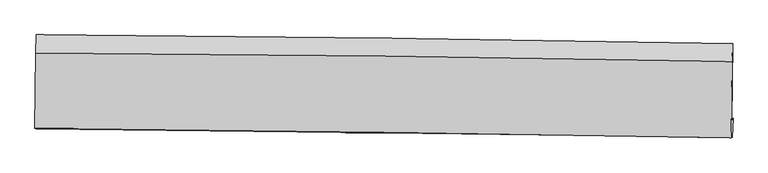
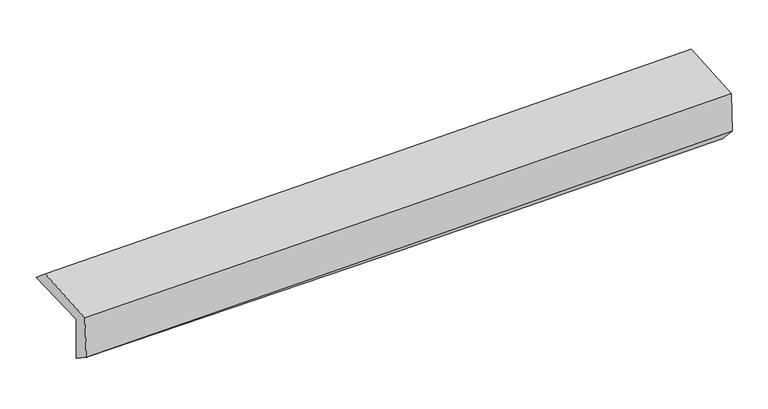
"""IFC4 building model written with IfcOpenShell, lengths in millimetres: proxy geometry."""

from ifc_helpers import new_model, si_unit, frame, origin, place, context, project, spatial, source, transform, mapped, element, save
from ifc_brep_helpers import plane_surface, spline_curve, spline_surface, advanced_brep


def generic_models_21b1a87a(model_context):
    return source(origin(), model_context, "Body", "AdvancedBrep", [
        advanced_brep(
        [(-3026.9989715, -1762.2248106, 1965.7666677), (-3020.8994105, -1097.4297323, 1979.4995738), (3013.3469707, -1174.4534869, 2110.940988), (3005.0823679, -1840.1388194, 2104.8332534), (-3016.4199858, -1746.6816067, 1566.6039674), (3016.1285321, -1823.9092121, 1688.0431299), (-3021.0298107, -1916.0475702, 1680.0781726), (3009.5315609, -1987.162764, 1862.2512422), (-3031.265267, -1910.979197, 2073.755911), (2999.6411457, -1991.3248051, 2240.4777322), (-3025.9024058, -1254.2252632, 2112.6980271), (3006.9955053, -1329.3369519, 2279.7822795)],
        [
            (0, 1),
            (1, 2, spline_curve(3, [(-3020.8994105, -1097.4297323, 1979.4995738), (-2014.5471453, -1104.989702563, 1982.777820388), (-1008.459372339, -1115.189375264, 1995.372724587), (1002.955966561, -1140.865173557, 2039.190812476), (2008.283653956, -1156.340085926, 2070.409712596), (3013.3469707, -1174.4534869, 2110.940988)], [4, 2, 4], [0.0, 9.902203475354849, 19.802130583717734])),
            (2, 3),
            (3, 0, spline_curve(3, [(3005.0823679, -1840.1388194, 2104.8332534), (2000.610820619, -1824.582224751, 2052.150216107), (995.759431177, -1810.311692057, 2014.2194517), (-1014.934174188, -1784.339764123, 1967.857137889), (-2020.776564126, -1772.638960966, 1959.432374029), (-3026.9989715, -1762.2248106, 1965.7666677)], [4, 2, 4], [0.0, 9.899927108362885, 19.802130583717734])),
            (4, 0),
            (3, 5),
            (5, 4, spline_curve(3, [(3016.1285321, -1823.9092121, 1688.0431299), (2011.292008435, -1808.888860171, 1649.131260687), (1006.219187069, -1794.943666713, 1619.55548602), (-1004.630210388, -1769.20063698, 1579.071471314), (-2010.406894763, -1757.403295364, 1568.167525222), (-3016.4199858, -1746.6816067, 1566.6039674)], [4, 2, 4], [0.0, 9.898344622268251, 19.79896524765517])),
            (6, 4),
            (5, 7),
            (7, 6, spline_curve(3, [(3009.5315609, -1987.162764, 1862.2512422), (2004.650927332, -1974.93925727, 1826.480554139), (999.721605532, -1962.901897367, 1793.415555461), (-1010.465495917, -1939.196747392, 1732.689954188), (-2015.723297991, -1927.529042376, 1705.030596838), (-3021.0298107, -1916.0475702, 1680.0781726)], [4, 2, 4], [0.0, 9.89720525418332, 19.79668624950157])),
            (8, 6),
            (7, 9),
            (9, 8, spline_curve(3, [(2999.6411457, -1991.3248051, 2240.4777322), (1994.782613839, -1974.572880474, 2205.72178668), (989.835597837, -1959.502027369, 2174.451525217), (-1020.466499242, -1932.719384815, 2118.87598166), (-2025.821620504, -1921.008368728, 2094.57230274), (-3031.265267, -1910.979197, 2073.755911)], [4, 2, 4], [0.0, 9.896776347075276, 19.795828336663543])),
            (10, 8),
            (9, 11),
            (11, 10, spline_curve(3, [(3006.9955053, -1329.3369519, 2279.7822795), (2001.841035256, -1311.791531442, 2245.065291584), (996.580112976, -1296.759944686, 2213.78431549), (-1014.385808491, -1271.72155861, 2158.087984102), (-2020.090856579, -1261.715916366, 2133.674209624), (-3025.9024058, -1254.2252632, 2112.6980271)], [4, 2, 4], [0.0, 9.89841749173321, 19.799111003340528])),
            (1, 10),
            (11, 2),
        ],
        [
            spline_surface(3, 3, [[(-3026.9989715, -1762.2248106, 1965.7666677), (-2020.776564173, -1772.638960805, 1959.432374028), (-1014.93417405, -1784.339764206, 1967.857138028), (995.75943104, -1810.311691974, 2014.219451562), (2000.610820736, -1824.582224829, 2052.150216171), (3005.0823679, -1840.1388194, 2104.8332534)], [(-3024.965784515, -1540.62645116, 1970.34430305), (-2018.700091256, -1550.089208067, 1967.214189423), (-1012.775906776, -1561.289634533, 1977.02900026), (998.158276222, -1587.162852509, 2022.54323854), (2003.168431765, -1601.834845166, 2058.236715045), (3007.837235499, -1618.243708563, 2106.869164949)], [(-3022.932597485, -1319.02809174, 1974.92193845), (-2016.623618292, -1327.539455349, 1974.99600487), (-1010.61763957, -1338.239504888, 1986.200862414), (1000.557121336, -1364.014013071, 2030.867025439), (2005.726042799, -1379.087465515, 2064.323213871), (3010.592103101, -1396.348597737, 2108.905076451)], [(-3020.8994105, -1097.4297323, 1979.4995738), (-2014.547145375, -1104.98970261, 1982.777820265), (-1008.459372296, -1115.189375215, 1995.372724646), (1002.955966518, -1140.865173606, 2039.190812417), (2008.283653829, -1156.340085851, 2070.409712746), (3013.3469707, -1174.4534869, 2110.940988)]], [4, 4], [4, 2, 4], [0.0, 2.197662797633588], [0.0, 9.902203475354849, 19.802130583717734]),
            spline_surface(3, 3, [[(-3016.4199858, -1746.6816067, 1566.6039674), (-2010.406894768, -1757.403295451, 1568.167525218), (-1004.630210309, -1769.200637028, 1579.071471285), (1006.219186989, -1794.943666665, 1619.555486049), (2011.292008473, -1808.888860206, 1649.131260823), (3016.1285321, -1823.9092121, 1688.0431299)], [(-3019.946314354, -1751.862674677, 1699.658200829), (-2013.863451223, -1762.481850579, 1698.589141484), (-1008.064864891, -1774.247012769, 1708.666693512), (1002.732601671, -1800.066341783, 1751.110141199), (2007.731612553, -1814.119981755, 1783.470912585), (3012.446477359, -1829.319081209, 1826.973171046)], [(-3023.472642946, -1757.043742623, 1832.712434271), (-2017.320007718, -1767.560405677, 1829.010757762), (-1011.499519468, -1779.293388464, 1838.2619158), (999.246016358, -1805.189016856, 1882.664796411), (2004.171216656, -1819.351103279, 1917.810564409), (3008.764422641, -1834.728950291, 1965.903212254)], [(-3026.9989715, -1762.2248106, 1965.7666677), (-2020.776564173, -1772.638960805, 1959.432374028), (-1014.93417405, -1784.339764206, 1967.857138028), (995.75943104, -1810.311691974, 2014.219451562), (2000.610820736, -1824.582224829, 2052.150216171), (3005.0823679, -1840.1388194, 2104.8332534)]], [4, 4], [4, 2, 4], [0.0, 1.2866091122014032], [0.0, 9.900620625386917, 19.79896524765517]),
            spline_surface(3, 3, [[(-3021.0298107, -1916.0475702, 1680.0781726), (-2015.723298147, -1927.529042416, 1705.030596788), (-1010.465495939, -1939.196747279, 1732.689954344), (999.721605554, -1962.90189748, 1793.415555305), (2004.650927173, -1974.939257244, 1826.480554273), (3009.5315609, -1987.162764, 1862.2512422)], [(-3019.493202405, -1859.592249025, 1642.253437532), (-2013.951163693, -1870.820460086, 1659.40957293), (-1008.520400743, -1882.531377179, 1681.483793334), (1001.887466018, -1906.915820525, 1735.462198896), (2006.864620927, -1919.58912491, 1767.364123113), (3011.730551287, -1932.744913379, 1804.181871424)], [(-3017.956594095, -1803.136927875, 1604.428702468), (-2012.179029223, -1814.111877781, 1613.788549076), (-1006.575305505, -1825.866007128, 1630.277632294), (1004.053326525, -1850.929743619, 1677.508842457), (2009.07831472, -1864.23899254, 1708.247691983), (3013.929541713, -1878.327062721, 1746.112500676)], [(-3016.4199858, -1746.6816067, 1566.6039674), (-2010.406894768, -1757.403295451, 1568.167525218), (-1004.630210309, -1769.200637028, 1579.071471285), (1006.219186989, -1794.943666665, 1619.555486049), (2011.292008473, -1808.888860206, 1649.131260823), (3016.1285321, -1823.9092121, 1688.0431299)]], [4, 4], [4, 2, 4], [0.0, 0.772226192817563], [0.0, 9.89948099531825, 19.79668624950157]),
            spline_surface(3, 3, [[(-3031.265267, -1910.979197, 2073.755911), (-2025.821620531, -1921.008368651, 2094.572302703), (-1020.46649914, -1932.719384825, 2118.87598165), (989.835597736, -1959.502027359, 2174.451525226), (1994.7826139, -1974.572880562, 2205.721786657), (2999.6411457, -1991.3248051, 2240.4777322)], [(-3027.853448236, -1912.66865472, 1942.52999821), (-2022.455513072, -1923.181926559, 1964.725067408), (-1017.132831384, -1934.878505651, 1990.147305887), (993.130933698, -1960.635317408, 2047.439535258), (1998.072051669, -1974.6950061, 2079.308042532), (3002.937950778, -1989.937458045, 2114.402235537)], [(-3024.441629464, -1914.35811248, 1811.30408539), (-2019.089405606, -1925.355484508, 1834.877832083), (-1013.799163695, -1937.037626453, 1861.418630107), (996.426269592, -1961.768607431, 1920.427545273), (2001.361489404, -1974.817131705, 1952.894298398), (3006.234755822, -1988.550111055, 1988.326738863)], [(-3021.0298107, -1916.0475702, 1680.0781726), (-2015.723298147, -1927.529042416, 1705.030596788), (-1010.465495939, -1939.196747279, 1732.689954344), (999.721605554, -1962.90189748, 1793.415555305), (2004.650927173, -1974.939257244, 1826.480554273), (3009.5315609, -1987.162764, 1862.2512422)]], [4, 4], [4, 2, 4], [0.0, 1.2590952212293285], [0.0, 9.899051989588267, 19.795828336663543]),
            spline_surface(3, 3, [[(-3025.9024058, -1254.2252632, 2112.6980271), (-2020.090856444, -1261.715916215, 2133.674209573), (-1014.385808447, -1271.721558768, 2158.08798424), (996.580112932, -1296.759944528, 2213.784315351), (2001.841035357, -1311.791531521, 2245.0652915), (3006.9955053, -1329.3369519, 2279.7822795)], [(-3027.690026217, -1473.143241142, 2099.717321721), (-2022.001111157, -1481.480067035, 2120.640240604), (-1016.412705375, -1492.054167468, 2145.017316691), (994.331941169, -1517.673972153, 2200.673385291), (1999.488228221, -1532.718647861, 2231.950789893), (3004.544052116, -1549.999569626, 2266.68076374)], [(-3029.477646583, -1692.061219058, 2086.736616379), (-2023.911365818, -1701.244217831, 2107.606271671), (-1018.439602212, -1712.386776125, 2131.946649199), (992.083769499, -1738.587999734, 2187.562455287), (1997.135421036, -1753.645764222, 2218.836288264), (3002.092598884, -1770.662187374, 2253.57924796)], [(-3031.265267, -1910.979197, 2073.755911), (-2025.821620531, -1921.008368651, 2094.572302703), (-1020.46649914, -1932.719384825, 2118.87598165), (989.835597736, -1959.502027359, 2174.451525226), (1994.7826139, -1974.572880562, 2205.721786657), (2999.6411457, -1991.3248051, 2240.4777322)]], [4, 4], [4, 2, 4], [0.0, 2.1754096534506906], [0.0, 9.900693511607317, 19.799111003340528]),
            spline_surface(3, 3, [[(-3020.8994105, -1097.4297323, 1979.4995738), (-2014.547145375, -1104.98970261, 1982.777820265), (-1008.459372296, -1115.189375215, 1995.372724646), (1002.955966518, -1140.865173606, 2039.190812417), (2008.283653829, -1156.340085851, 2070.409712746), (3013.3469707, -1174.4534869, 2110.940988)], [(-3022.567075573, -1149.694909277, 2023.899058257), (-2016.395049038, -1157.231773823, 2033.076616725), (-1010.434851011, -1167.36676972, 2049.611144508), (1000.830681991, -1192.830097234, 2097.388646726), (2006.136114333, -1208.157234421, 2128.628239002), (3011.229815561, -1226.081308579, 2167.221418504)], [(-3024.234740727, -1201.960086223, 2068.298542643), (-2018.242952781, -1209.473845003, 2083.375413113), (-1012.410329731, -1219.544164264, 2103.849564378), (998.705397459, -1244.795020901, 2155.586481042), (2003.988574853, -1259.974382952, 2186.846765244), (3009.112660439, -1277.709130221, 2223.501848996)], [(-3025.9024058, -1254.2252632, 2112.6980271), (-2020.090856444, -1261.715916215, 2133.674209573), (-1014.385808447, -1271.721558768, 2158.08798424), (996.580112932, -1296.759944528, 2213.784315351), (2001.841035357, -1311.791531521, 2245.0652915), (3006.9955053, -1329.3369519, 2279.7822795)]], [4, 4], [4, 2, 4], [0.0, 0.754481540239362], [0.0, 9.902775596609493, 19.80327469470499]),
            plane_surface(frame((3008.4543471, -1691.0543399, 2047.7214375), z_axis=(0.9995819372097453, -0.012648535715028835, 0.02599933361220449), x_axis=(0.02613893415616006, 0.01099967164363522, -0.999597800790354))),
            plane_surface(frame((-3023.7526419, -1614.59803, 1896.4003866), z_axis=(-0.9996117890933189, 0.009710994225918881, -0.02611451123031377), x_axis=(-0.009172756523418972, -0.9997446435195908, -0.02065207717515246))),
        ],
        [
            (0, [[1, 2, 3, 4]]),
            (1, [[5, -4, 6, 7]]),
            (2, [[8, -7, 9, 10]]),
            (3, [[11, -10, 12, 13]]),
            (4, [[14, -13, 15, 16]]),
            (5, [[17, -16, 18, -2]]),
            (6, [[-12, -9, -6, -3, -18, -15]]),
            (7, [[-1, -5, -8, -11, -14, -17]]),
        ],
    ),
    ])


if __name__ == "__main__":
    model = new_model("IFC4")
    model_context = context("Model", 3, world=origin())
    ifc_project = project(units=[si_unit("LENGTHUNIT", "METRE", prefix="MILLI")], contexts=[model_context])
    site = spatial("IfcSite", under=ifc_project)
    building = spatial("IfcBuilding", under=site)
    placement = place(None, origin())
    generic_models_shape = generic_models_21b1a87a(model_context)
    element("IfcBuildingElementProxy", 1, Name="Generic Models", at=placement, inside=building, context=model_context, shape_type="MappedRepresentation", body=[
        mapped(generic_models_shape, transform((0.0, 0.0, 0.0), x_axis=(1.0, 0.0, 0.0), y_axis=(0.0, 1.0, 0.0), z_axis=(0.0, 0.0, 1.0))),
    ])
    save(model, "model.ifc")
